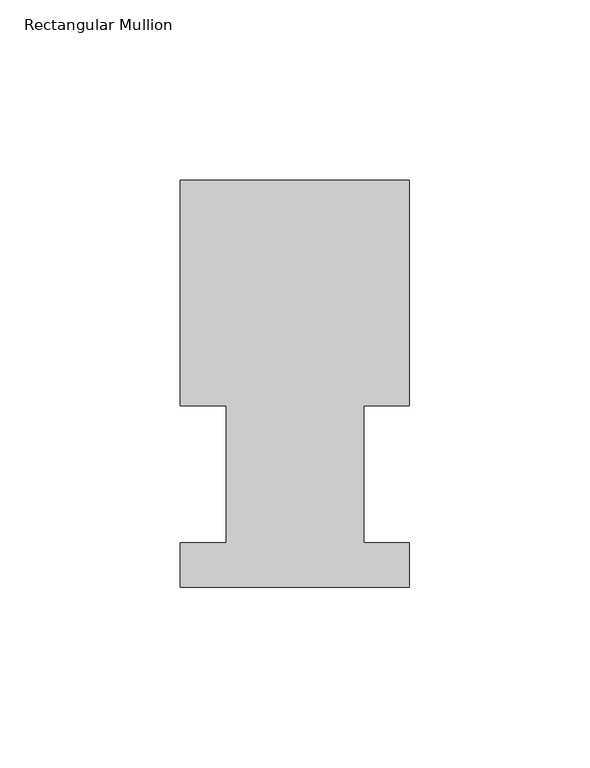
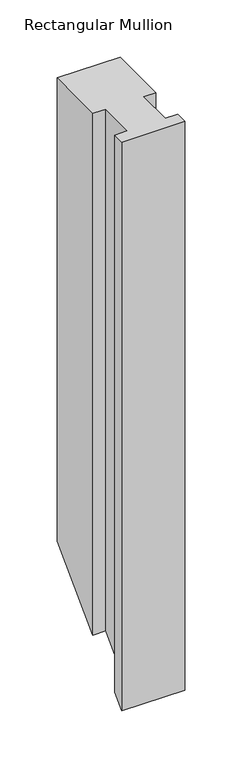
"""IFC4 building model written with IfcOpenShell, lengths in millimetres: member geometry, Rectangular Mullion."""

from ifc_helpers import new_model, si_unit, origin, place, context, project, spatial, faceted_brep, source, transform, mapped, element, save


def rectangular_mullion_6b7ebb53(model_context):
    return source(origin(), model_context, "Body", "Brep", [
        faceted_brep([(-63.5368106, 52.5859375, 0.0), (-50.7405803, 52.5859375, 0.0), (-50.7405803, 14.4859413, 0.0), (-63.5, 14.4859413, 0.0), (-63.5, 2.1909696, 0.0), (0.0, 2.1909696, 0.0), (0.0, 14.4858895, 0.0), (-12.602764, 14.4858895, 0.0), (-12.602764, 52.5859375, 0.0), (0.0, 52.5859375, 0.0), (0.0, 115.0699375, 0.0), (-63.5368106, 115.0699375, 0.0), (-63.5368106, 52.5859375, -557.0140625), (-50.7405803, 52.5859375, -557.0140625), (-50.7405803, 14.4859413, -595.1140587), (-63.5, 14.4859413, -595.1140587), (-63.5, 2.1909696, -607.4090304), (0.0, 2.1909696, -607.4090304), (0.0, 14.4858895, -595.1141105), (-12.602764, 14.4858895, -595.1141105), (-12.602764, 52.5859375, -557.0140625), (0.0, 52.5859375, -557.0140625), (0.0, 115.0699375, -494.5300625), (-63.5368106, 115.0699375, -494.5300625)], [[[0, 1, 2, 3, 4, 5, 6, 7, 8, 9, 10, 11]], [[1, 0, 12, 13]], [[2, 1, 13, 14]], [[3, 2, 14, 15]], [[4, 3, 15, 16]], [[5, 4, 16, 17]], [[6, 5, 17, 18]], [[7, 6, 18, 19]], [[8, 7, 19, 20]], [[9, 8, 20, 21]], [[10, 9, 21, 22]], [[11, 10, 22, 23]], [[0, 11, 23, 12]], [[12, 23, 22, 21, 20, 19, 18, 17, 16, 15, 14, 13]]]),
    ])


if __name__ == "__main__":
    model = new_model("IFC4")
    model_context = context("Model", 3, world=origin())
    ifc_project = project(units=[si_unit("LENGTHUNIT", "METRE", prefix="MILLI")], contexts=[model_context])
    site = spatial("IfcSite", under=ifc_project)
    building = spatial("IfcBuilding", under=site)
    placement = place(None, origin())
    rectangular_mullion_shape = rectangular_mullion_6b7ebb53(model_context)
    element("IfcMember", 1, ObjectType="Rectangular Mullion", at=placement, inside=building, context=model_context, shape_type="MappedRepresentation", body=[
        mapped(rectangular_mullion_shape, transform((0.0, 0.0, 0.0), x_axis=(1.0, 0.0, 0.0), y_axis=(0.0, 1.0, 0.0), z_axis=(0.0, 0.0, 1.0))),
    ])
    save(model, "model.ifc")
